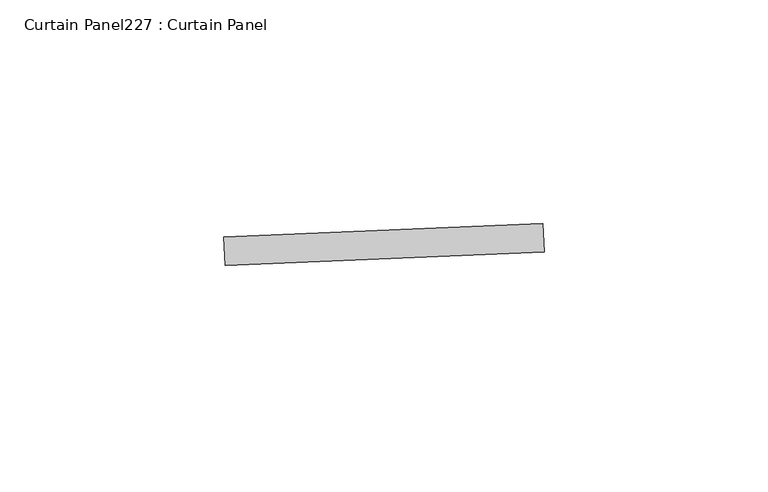
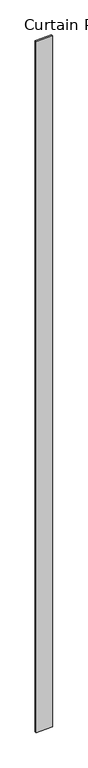
"""IFC4 building model written with IfcOpenShell, lengths in millimetres: plate geometry, Curtain Panel227 : Curtain Panel."""

from ifc_helpers import new_model, si_unit, frame, origin, place, context, project, spatial, polyline, outline, extrude, source, transform, mapped, element, save


def curtain_panel227_curtain_panel_f5f6e883(model_context):
    return source(origin(), model_context, "Body", "SweptSolid", [
        extrude(outline(polyline([(635286.5519831, 2259.7451802), (635357.7598351, 2262.7499381), (635358.0275478, 2256.405584), (635286.8196958, 2253.400826), (635286.5519831, 2259.7451802)])), frame((0.0, 0.0, 4959.7989371), z_axis=(0.0, 0.0, 1.0), x_axis=(1.0, 0.0, 0.0)), (0.0, 0.0, 1.0), 3048.0),
    ])


if __name__ == "__main__":
    model = new_model("IFC4")
    model_context = context("Model", 3, world=origin())
    ifc_project = project(units=[si_unit("LENGTHUNIT", "METRE", prefix="MILLI")], contexts=[model_context])
    site = spatial("IfcSite", under=ifc_project)
    building = spatial("IfcBuilding", under=site)
    placement = place(None, origin())
    curtain_panel227_curtain_panel_shape = curtain_panel227_curtain_panel_f5f6e883(model_context)
    element("IfcPlate", 1, ObjectType="Curtain Panel227 : Curtain Panel", at=placement, inside=building, context=model_context, shape_type="MappedRepresentation", body=[
        mapped(curtain_panel227_curtain_panel_shape, transform((0.0, 0.0, 0.0), x_axis=(1.0, 0.0, 0.0), y_axis=(0.0, 1.0, 0.0), z_axis=(0.0, 0.0, 1.0))),
    ])
    save(model, "model.ifc")
